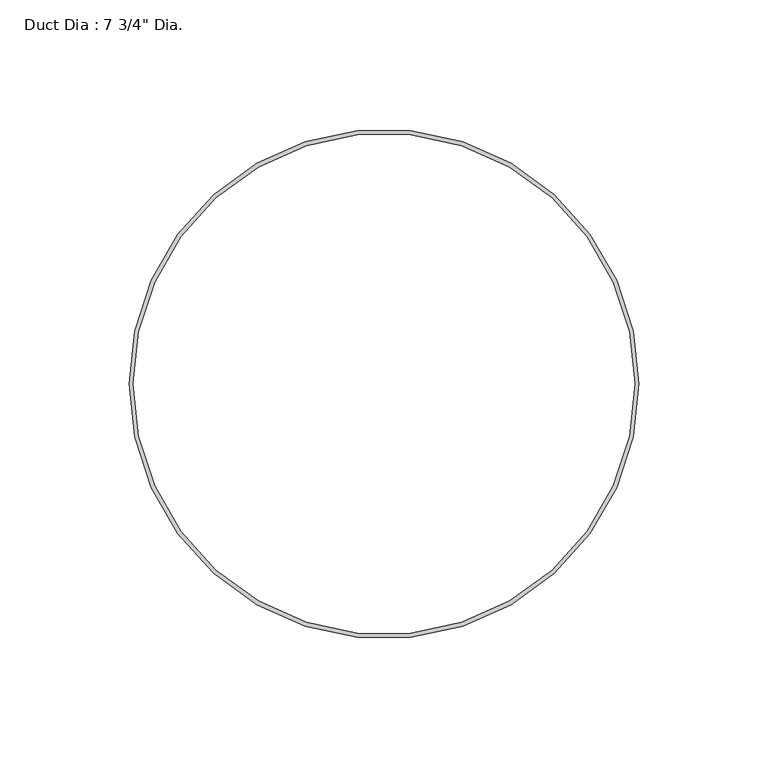
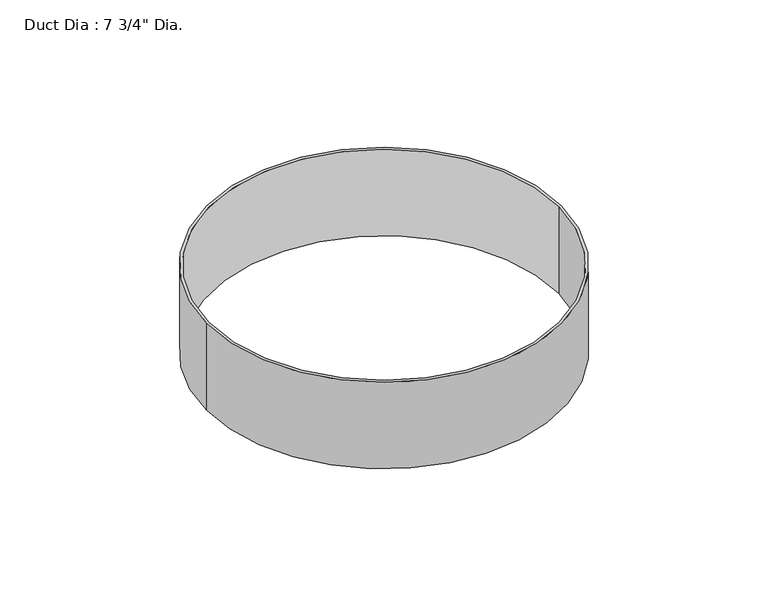
"""IFC4 building model written with IfcOpenShell, lengths in millimetres: proxy geometry."""

from ifc_helpers import new_model, si_unit, point, origin, origin_with_axes, origin_2d, place, context, project, spatial, circle_curve, trimmed, segment, composite_curve, outline, extrude, source, transform, mapped, element, save


def proxy_3ed6417b(model_context):
    return source(origin(), model_context, "Body", "SweptSolid", [
        extrude(outline(composite_curve([segment(trimmed(circle_curve(origin_2d(), 98.425), [point((-98.425, 0.0))], [point((98.425, 0.0))], False, "CARTESIAN"), True, "CONTINUOUS"), segment(trimmed(circle_curve(origin_2d(), 98.425), [point((98.425, 0.0))], [point((-98.425, 0.0))], False, "CARTESIAN"), True, "CONTINUOUS")], self_intersect=False), holes=[composite_curve([segment(trimmed(circle_curve(origin_2d(), 96.8375), [point((-96.8375, 0.0))], [point((96.8375, 0.0))], True, "CARTESIAN"), True, "CONTINUOUS"), segment(trimmed(circle_curve(origin_2d(), 96.8375), [point((96.8375, 0.0))], [point((-96.8375, 0.0))], True, "CARTESIAN"), True, "CONTINUOUS")], self_intersect=False)]), origin_with_axes(), (0.0, 0.0, 1.0), 50.8),
    ])


if __name__ == "__main__":
    model = new_model("IFC4")
    model_context = context("Model", 3, world=origin())
    ifc_project = project(units=[si_unit("LENGTHUNIT", "METRE", prefix="MILLI")], contexts=[model_context])
    site = spatial("IfcSite", under=ifc_project)
    building = spatial("IfcBuilding", under=site)
    placement = place(None, origin())
    proxy_shape = proxy_3ed6417b(model_context)
    element("IfcBuildingElementProxy", 1, Name="Duct Dia : 7 3/4\" Dia.", ObjectType="Duct Dia : 7 3/4\" Dia.", at=placement, inside=building, context=model_context, shape_type="MappedRepresentation", body=[
        mapped(proxy_shape, transform((0.0, 0.0, 0.0), x_axis=(1.0, 0.0, 0.0), y_axis=(0.0, 1.0, 0.0), z_axis=(0.0, 0.0, 1.0))),
    ])
    save(model, "model.ifc")
